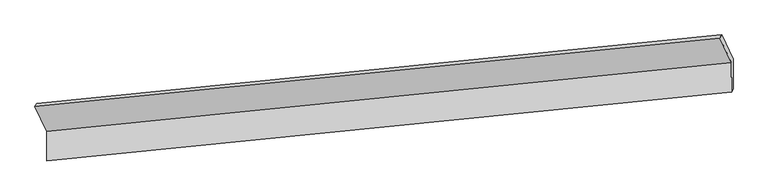
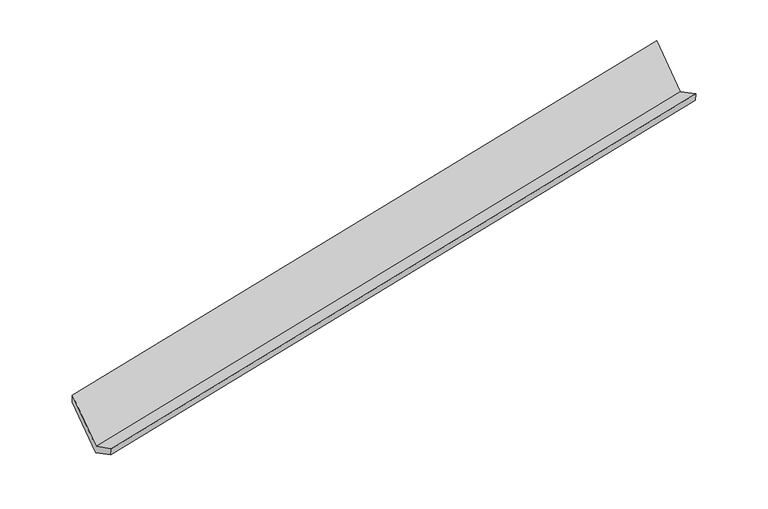
"""IFC4 building model written with IfcOpenShell, lengths in millimetres: proxy geometry."""

from ifc_helpers import new_model, si_unit, origin, place, context, project, spatial, faceted_brep, source, transform, mapped, element, save


def generic_models_a868943c(model_context):
    return source(origin(), model_context, "Body", "Brep", [
        faceted_brep([(-7474.161561, -1975.3339032, 805.1499099), (-7473.060898, -2375.5188533, 1010.4346868), (1836.4387517, -1440.8254321, 2815.4888192), (1835.3380887, -1040.640482, 2610.2040423), (-7452.320064, -2326.7356975, 874.6876125), (1857.1795857, -1392.0422763, 2679.7417449), (-7453.414876, -1928.6780764, 670.4941017), (1856.0847737, -993.9846551, 2475.5482341), (-7609.4785587, -1594.8290214, 1322.1407702), (1700.0210911, -660.1356002, 3127.1949026), (-7632.1785725, -1637.306317, 1464.9527375), (1677.3210772, -702.6128958, 3270.0068699)], [[[0, 1, 2, 3]], [[1, 4, 5, 2]], [[4, 6, 7, 5]], [[6, 8, 9, 7]], [[8, 10, 11, 9]], [[10, 0, 3, 11]], [[9, 11, 3, 2, 5, 7]], [[0, 10, 8, 6, 4, 1]]]),
    ])


if __name__ == "__main__":
    model = new_model("IFC4")
    model_context = context("Model", 3, world=origin())
    ifc_project = project(units=[si_unit("LENGTHUNIT", "METRE", prefix="MILLI")], contexts=[model_context])
    site = spatial("IfcSite", under=ifc_project)
    building = spatial("IfcBuilding", under=site)
    placement = place(None, origin())
    generic_models_shape = generic_models_a868943c(model_context)
    element("IfcBuildingElementProxy", 1, Name="Generic Models", at=placement, inside=building, context=model_context, shape_type="MappedRepresentation", body=[
        mapped(generic_models_shape, transform((0.0, 0.0, 0.0), x_axis=(1.0, 0.0, 0.0), y_axis=(0.0, 1.0, 0.0), z_axis=(0.0, 0.0, 1.0))),
    ])
    save(model, "model.ifc")
